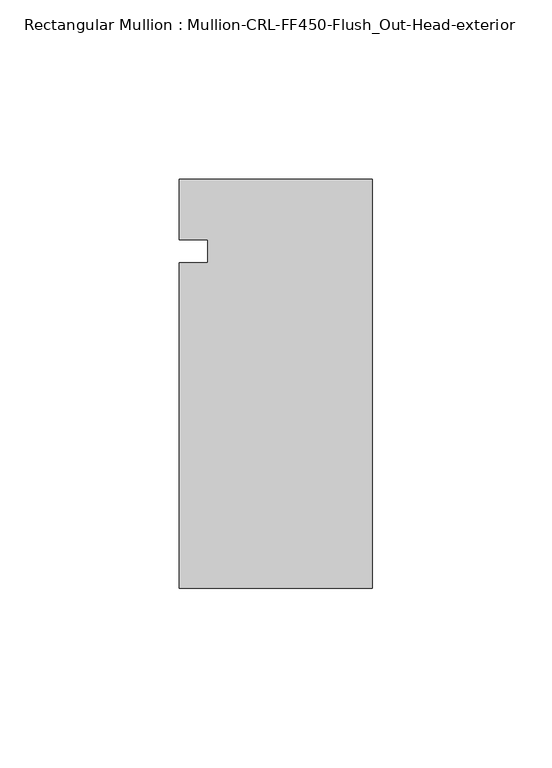
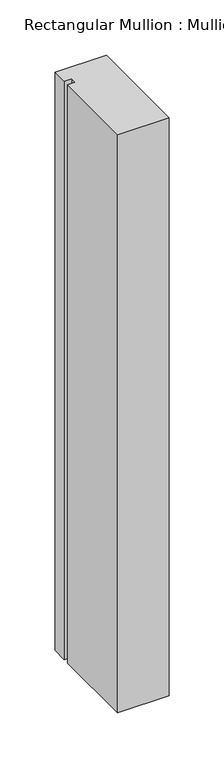
"""IFC4 building model written with IfcOpenShell, lengths in millimetres: member geometry, Rectangular Mullion : Mullion-CRL-FF450-Flush_Out-Head-exterior."""

import ifcopenshell
import ifcopenshell.guid

model = None  # the IFC model being written
_history = None  # IfcOwnerHistory: only IFC2X3 demands one
_inside = {}  # id of a spatial element -> (the spatial element, [elements in it])
_under = {}  # id of a project, library or spatial element -> (it, [spatial elements below it])
_declared = {}  # id of a project -> (the project, [libraries it declares])
_typed = {}  # id of a type object -> (the type object, [elements of that type])
_made_of = {}  # id of a material, layer set ... -> (it, [elements and type objects made of it])


def new_model(schema):
    """Start an empty IFC model of exactly this schema.

    Asked for "IFC4X3", IfcOpenShell would pick the latest addendum, in which some entities
    have other attributes; the version numbers below select the first issue.
    IFC2X3 requires an IfcOwnerHistory on every rooted entity: one is made here for all.
    """
    global model, _history
    if schema == "IFC4X3":
        model = ifcopenshell.file(schema_version=(4, 3, 0, 0))
    else:
        model = ifcopenshell.file(schema=schema)
    _inside.clear()
    _under.clear()
    _declared.clear()
    _typed.clear()
    _made_of.clear()
    _history = None
    if model.schema == "IFC2X3":
        org = make("IfcOrganization", Name="unknown")
        user = make(
            "IfcPersonAndOrganization",
            ThePerson=make("IfcPerson", FamilyName="unknown"),
            TheOrganization=org,
        )
        app = make(
            "IfcApplication",
            ApplicationDeveloper=org,
            Version="unknown",
            ApplicationFullName="unknown",
            ApplicationIdentifier="unknown",
        )
        _history = make(
            "IfcOwnerHistory",
            OwningUser=user,
            OwningApplication=app,
            ChangeAction="ADDED",
            CreationDate=0,
        )
    return model


def make(cls, **values):
    """One entity of the class cls with the attributes given. An attribute that is None is left unset."""
    return model.create_entity(
        cls, **{name: value for name, value in values.items() if value is not None}
    )


def rooted(cls, **values):
    """An entity with a GlobalId (a new one), such as an element, a storey or a relation."""
    return make(cls, GlobalId=ifcopenshell.guid.new(), OwnerHistory=_history, **values)


def si_unit(unit_type, name, prefix=None):
    """IfcSIUnit, for example si_unit("LENGTHUNIT", "METRE", prefix="MILLI")."""
    return make("IfcSIUnit", UnitType=unit_type, Prefix=prefix, Name=name)


def assignment(units):
    """IfcUnitAssignment: the units of a project."""
    return None if units is None else make("IfcUnitAssignment", Units=units)


def point(xyz):
    """IfcCartesianPoint."""
    return None if xyz is None else make("IfcCartesianPoint", Coordinates=xyz)


def direction(xyz):
    """IfcDirection."""
    return None if xyz is None else make("IfcDirection", DirectionRatios=xyz)


def frame(location, z_axis=None, x_axis=None):
    """IfcAxis2Placement3D, a coordinate frame: its origin and axes. An axis left out is left unset."""
    return make(
        "IfcAxis2Placement3D",
        Location=point(location),
        Axis=direction(z_axis),
        RefDirection=direction(x_axis),
    )


def origin():
    """The frame at (0, 0, 0) with its axes left unset."""
    return frame((0.0, 0.0, 0.0))


def place(relative_to, where):
    """IfcLocalPlacement: puts the frame where relative to a parent placement (None: the world)."""
    return make(
        "IfcLocalPlacement", PlacementRelTo=relative_to, RelativePlacement=where
    )


def context(
    kind, dimensions, precision=None, world=None, true_north=None, identifier=None
):
    """IfcGeometricRepresentationContext, for example the 3D "Model" context."""
    return make(
        "IfcGeometricRepresentationContext",
        ContextIdentifier=identifier,
        ContextType=kind,
        CoordinateSpaceDimension=dimensions,
        Precision=precision,
        WorldCoordinateSystem=world,
        TrueNorth=true_north,
    )


def project(units=None, contexts=None):
    """IfcProject with its units and contexts."""
    return rooted(
        "IfcProject",
        Name="project",
        RepresentationContexts=contexts,
        UnitsInContext=assignment(units),
    )


def spatial(cls, under=None, at=None, **own):
    """A site, building, storey or space (cls), placed at a placement, below another one or the project."""
    s = rooted(cls, ObjectPlacement=at, **own)
    if under is not None:
        _under.setdefault(under.id(), (under, []))[1].append(s)
    return s


def polyline(points):
    """IfcPolyline through the points."""
    return make("IfcPolyline", Points=[point(p) for p in points])


def outline(outer, holes=None, kind="AREA"):
    """IfcArbitraryClosedProfileDef: a profile drawn as a closed curve; with holes, ...WithVoids."""
    if holes is None:
        return make("IfcArbitraryClosedProfileDef", ProfileType=kind, OuterCurve=outer)
    return make(
        "IfcArbitraryProfileDefWithVoids",
        ProfileType=kind,
        OuterCurve=outer,
        InnerCurves=holes,
    )


def extrude(swept, where, along, depth):
    """IfcExtrudedAreaSolid: the profile swept, set in the frame where, extruded along a direction by depth."""
    return make(
        "IfcExtrudedAreaSolid",
        SweptArea=swept,
        Position=where,
        ExtrudedDirection=direction(along),
        Depth=depth,
    )


def shape(context_of_items, identifier, shape_type, items):
    """IfcShapeRepresentation: the items that make up one representation, for example the "Body"."""
    return make(
        "IfcShapeRepresentation",
        ContextOfItems=context_of_items,
        RepresentationIdentifier=identifier,
        RepresentationType=shape_type,
        Items=items,
    )


def source(mapping_origin, context_of_items, identifier, shape_type, items):
    """IfcRepresentationMap: a shape defined once, which mapped items show again and again."""
    return make(
        "IfcRepresentationMap",
        MappingOrigin=mapping_origin,
        MappedRepresentation=shape(context_of_items, identifier, shape_type, items),
    )


def transform(
    local_origin,
    x_axis=None,
    y_axis=None,
    z_axis=None,
    scale=None,
    scale2=None,
    scale3=None,
    uniform=True,
):
    """IfcCartesianTransformationOperator3D, or its non-uniform kind. x_axis, y_axis, z_axis: its Axis1, 2, 3."""
    if uniform:
        return make(
            "IfcCartesianTransformationOperator3D",
            Axis1=direction(x_axis),
            Axis2=direction(y_axis),
            LocalOrigin=point(local_origin),
            Scale=scale,
            Axis3=direction(z_axis),
        )
    return make(
        "IfcCartesianTransformationOperator3DnonUniform",
        Axis1=direction(x_axis),
        Axis2=direction(y_axis),
        LocalOrigin=point(local_origin),
        Scale=scale,
        Axis3=direction(z_axis),
        Scale2=scale2,
        Scale3=scale3,
    )


def mapped(mapping_source, mapping_target):
    """IfcMappedItem: shows the shape of a source again, moved by a transform."""
    return make(
        "IfcMappedItem", MappingSource=mapping_source, MappingTarget=mapping_target
    )


def made_of(thing, what):
    """Note that an element or type object is made of a material, layer set ...; save() writes the relation."""
    if what is not None:
        _made_of.setdefault(what.id(), (what, []))[1].append(thing)
    return thing


def element(
    cls,
    number,
    at=None,
    inside=None,
    cuts=None,
    type_object=None,
    material=None,
    context=None,
    identifier="Body",
    shape_type=None,
    held_by="IfcProductDefinitionShape",
    body=None,
    shapes=None,
    **own,
):
    """One element of the class cls, such as IfcWall. Its Tag is "e" and its number.

    at: its placement. inside: the storey or other place that contains it. cuts: it is an
    opening in that element (IfcRelVoidsElement). A single representation is given by context,
    identifier, shape_type and body (its items); several are given by shapes. held_by: the class
    of the entity that holds the representations. save() writes the other relations.
    """
    e = rooted(cls, Tag="e%d" % number, ObjectPlacement=at, **own)
    if body is not None:
        shapes = [shape(context, identifier, shape_type, body)]
    if shapes is not None:
        e.Representation = make(held_by, Representations=shapes)
    if inside is not None:
        _inside.setdefault(inside.id(), (inside, []))[1].append(e)
    if cuts is not None:
        rooted(
            "IfcRelVoidsElement", RelatingBuildingElement=cuts, RelatedOpeningElement=e
        )
    if type_object is not None:
        _typed.setdefault(type_object.id(), (type_object, []))[1].append(e)
    return made_of(e, material)


def aggregate(whole, parts):
    """IfcRelAggregates: a whole, such as a stair, and the parts it consists of."""
    return rooted("IfcRelAggregates", RelatingObject=whole, RelatedObjects=parts)


def save(model, path):
    """Write the relations noted so far, then the file.

    IfcRelAggregates (storeys below a building ...), IfcRelContainedInSpatialStructure (elements
    in a storey), IfcRelDefinesByType, IfcRelAssociatesMaterial and IfcRelDeclares: one each for
    every whole, place, type object, material and project.
    """
    for whole, parts in _under.values():
        aggregate(whole, parts)
    for where, things in _inside.values():
        rooted(
            "IfcRelContainedInSpatialStructure",
            RelatedElements=things,
            RelatingStructure=where,
        )
    for kind, things in _typed.values():
        rooted("IfcRelDefinesByType", RelatedObjects=things, RelatingType=kind)
    for what, things in _made_of.values():
        rooted("IfcRelAssociatesMaterial", RelatedObjects=things, RelatingMaterial=what)
    for by, libraries in _declared.values():
        rooted("IfcRelDeclares", RelatingContext=by, RelatedDefinitions=libraries)
    model.write(path)


def rectangular_mullion_mullion_crl_ff450_flush_out_head_6a648703(model_context):
    return source(origin(), model_context, "Body", "SweptSolid", [
        extrude(outline(polyline([(0.0, 20.160815), (0.0, -94.1210236), (-53.9750401, -94.1210236), (-53.9750401, -3.1555912), (-46.0375401, -3.1555912), (-46.0375401, 3.1944088), (-53.9750401, 3.1944088), (-53.9750401, 20.160815), (0.0, 20.160815)])), frame((0.0, 0.0, -641.3499599), z_axis=(0.0, 0.0, 1.0), x_axis=(1.0, 0.0, 0.0)), (0.0, 0.0, 1.0), 641.3499599),
    ])


if __name__ == "__main__":
    model = new_model("IFC4")
    model_context = context("Model", 3, world=origin())
    ifc_project = project(units=[si_unit("LENGTHUNIT", "METRE", prefix="MILLI")], contexts=[model_context])
    site = spatial("IfcSite", under=ifc_project)
    building = spatial("IfcBuilding", under=site)
    placement = place(None, origin())
    rectangular_mullion_mullion_crl_ff450_flush_out_head_shape = rectangular_mullion_mullion_crl_ff450_flush_out_head_6a648703(model_context)
    element("IfcMember", 1, ObjectType="Rectangular Mullion : Mullion-CRL-FF450-Flush_Out-Head-exterior", at=placement, inside=building, context=model_context, shape_type="MappedRepresentation", body=[
        mapped(rectangular_mullion_mullion_crl_ff450_flush_out_head_shape, transform((0.0, 0.0, 0.0), x_axis=(1.0, 0.0, 0.0), y_axis=(0.0, 1.0, 0.0), z_axis=(0.0, 0.0, 1.0))),
    ])
    save(model, "model.ifc")
